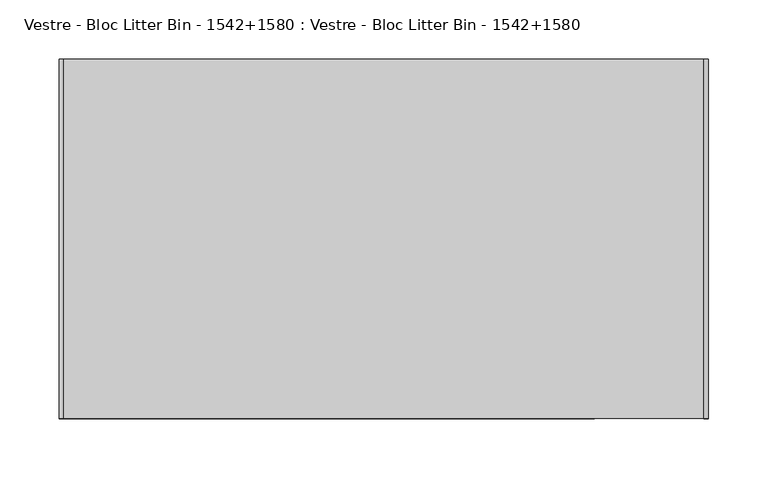
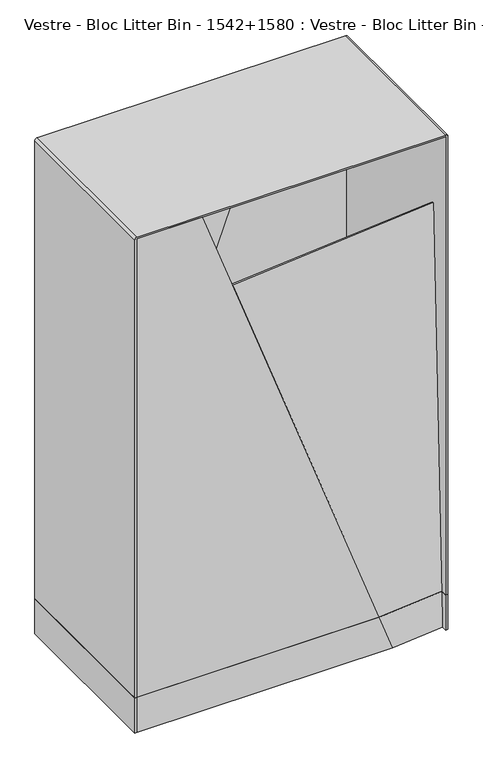
"""IFC4 building model written with IfcOpenShell, lengths in millimetres: furniture geometry, Vestre - Bloc Litter Bin - 1542+1580 : Vestre - Bloc Litter Bin - 1542+1580."""

from ifc_helpers import new_model, si_unit, point, frame, frame_2d, origin, origin_with_axes, place, context, project, spatial, polyline, circle_curve, trimmed, segment, composite_curve, outline, extrude, source, transform, mapped, element, save


def vestre_bloc_litter_bin_1542_1580_vestre_bloc_litter_bin_1542_2ff12031(model_context):
    return source(origin(), model_context, "Body", "SweptSolid", [
        extrude(outline(polyline([(0.0351938, 0.0), (-40.1453928, -110.8345149), (-101.27975, -88.3865833), (-69.1787794, 0.0), (0.0351938, 0.0)])), frame((-153.8954489, 149.1740765, 65.0066328), z_axis=(-0.09822462559456396, 0.9945218953682895, 0.035750839988354696), x_axis=(0.34302093272528, 0.00011195982877925737, 0.9393277527983913)), (0.0, 0.0, 1.0), 3.0),
        extrude(outline(polyline([(-0.055894, 271.5), (65.0, 271.5), (65.0, -154.2419347), (0.0677932, -177.9545315), (-0.055894, 271.5)])), frame((0.0, 149.25, 0.0), z_axis=(0.0, 1.0, 0.0), x_axis=(0.0, 0.0, 1.0)), (0.0, 0.0, 1.0), 3.0),
        extrude(outline(polyline([(0.0351938, 0.0), (-40.1453928, -110.8345149), (-101.27975, -88.3865833), (-69.1787794, 0.0), (0.0351938, 0.0)])), frame((154.8954489, -149.1740765, 65.0066328), z_axis=(0.09822462559456398, -0.9945218953682895, 0.0357508399883547), x_axis=(-0.3430209327252796, -0.000111959828779216, 0.9393277527983914)), (0.0, 0.0, 1.0), 3.0),
        extrude(outline(polyline([(-0.055894, -270.5), (0.0677932, 178.9545315), (65.0, 155.2419347), (65.0, -270.5), (-0.055894, -270.5)])), frame((0.0, -152.25, 0.0), z_axis=(0.0, 1.0, 0.0), x_axis=(0.0, 0.0, 1.0)), (0.0, 0.0, 1.0), 3.0),
        extrude(outline(polyline([(-270.5, -152.25), (-274.5, -152.25), (-274.5, 152.25), (-270.5, 152.25), (-270.5, -152.25)])), origin_with_axes(), (0.0, 0.0, 1.0), 65.0),
        extrude(outline(polyline([(275.5, -152.25), (271.5, -152.25), (271.5, 152.25), (275.5, 152.25), (275.5, -152.25)])), origin_with_axes(), (0.0, 0.0, 1.0), 65.0),
        extrude(outline(polyline([(-270.5, 137.7565535), (-154.897871, 149.1740758), (271.5, 149.1740758), (271.5, -137.6577879), (154.897871, -149.1740758), (-270.5, -149.1740758), (-270.5, 137.7565535)])), frame((0.0, 0.0, 65.0), z_axis=(0.0, 0.0, 1.0), x_axis=(1.0, 0.0, 0.0)), (0.0, 0.0, 1.0), 9.9592479),
        extrude(outline(polyline([(65.0, 271.5), (917.0, 271.5), (917.0, 156.9), (65.1171498, -154.1991527), (65.0, 271.5)])), frame((0.0, 149.25, 0.0), z_axis=(0.0, 1.0, 0.0), x_axis=(0.0, 0.0, 1.0)), (0.0, 0.0, 1.0), 3.0),
        extrude(outline(polyline([(752.3104603, 0.0), (623.7538599, -354.611758), (-40.247271, -110.7971063), (-0.0070612, 1e-07), (752.3104603, 0.0)])), frame((-153.8954489, 149.1740765, 65.0066328), z_axis=(-0.09822462559456395, 0.9945218953682895, 0.03575083998835469), x_axis=(0.34302093272528017, 0.0001119598287792826, 0.9393277527983912)), (0.0, 0.0, 1.0), 3.0),
        extrude(outline(composite_curve([segment(polyline([(-255.5, -119.75), (-255.5, 112.735536)]), True, "CONTINUOUS"), segment(trimmed(circle_curve(frame_2d((-245.5, 112.735536)), 10.0), [point((-255.5, 112.735536))], [point((-246.5452846, 122.680755))], False, "CARTESIAN"), True, "CONTINUOUS"), segment(polyline([(-246.5452846, 122.680755), (-155.5, 132.25), (246.5, 132.25)]), True, "CONTINUOUS"), segment(trimmed(circle_curve(frame_2d((246.5, 122.25)), 10.0), [point((246.5, 132.25))], [point((256.5, 122.25))], False, "CARTESIAN"), True, "CONTINUOUS"), segment(polyline([(256.5, 122.25), (256.5, -110.235536)]), True, "CONTINUOUS"), segment(trimmed(circle_curve(frame_2d((246.5, -110.235536)), 10.0), [point((256.5, -110.235536))], [point((247.5452846, -120.180755))], False, "CARTESIAN"), True, "CONTINUOUS"), segment(polyline([(247.5452846, -120.180755), (156.5, -129.75), (-245.5, -129.75)]), True, "CONTINUOUS"), segment(trimmed(circle_curve(frame_2d((-245.5, -119.75)), 10.0), [point((-245.5, -129.75))], [point((-255.5, -119.75))], False, "CARTESIAN"), True, "CONTINUOUS")], self_intersect=False)), origin_with_axes(), (0.0, 0.0, 1.0), 65.0745775),
        extrude(outline(polyline([(752.3104603, 0.0), (623.7538599, -354.611758), (-40.247271, -110.7971063), (-0.0070612, 1e-07), (752.3104603, 0.0)])), frame((154.8954489, -149.1740765, 65.0066328), z_axis=(0.09822462559456396, -0.9945218953682895, 0.03575083998835469), x_axis=(-0.34302093272527995, -0.00011195982877926014, 0.9393277527983913)), (0.0, 0.0, 1.0), 3.0),
        extrude(outline(polyline([(65.0, -270.5), (65.1171498, 155.1991527), (917.0, -155.9), (917.0, -270.5), (65.0, -270.5)])), frame((0.0, -152.25, 0.0), z_axis=(0.0, 1.0, 0.0), x_axis=(0.0, 0.0, 1.0)), (0.0, 0.0, 1.0), 3.0),
        extrude(outline(composite_curve([segment(polyline([(65.0, -270.5), (917.0, -270.5), (917.0, 271.5), (65.0, 271.5), (65.0, 275.5), (916.0, 275.5)]), True, "CONTINUOUS"), segment(trimmed(circle_curve(frame_2d((916.0, 271.5)), 4.0), [point((916.0, 275.5))], [point((920.0, 271.5))], False, "CARTESIAN"), True, "CONTINUOUS"), segment(polyline([(920.0, 271.5), (920.0, -270.4822768)]), True, "CONTINUOUS"), segment(trimmed(circle_curve(frame_2d((915.9822768, -270.4822768)), 4.0177232), [point((920.0, -270.4822768))], [point((915.9822768, -274.5))], False, "CARTESIAN"), True, "CONTINUOUS"), segment(polyline([(915.9822768, -274.5), (65.0, -274.5), (65.0, -270.5)]), True, "CONTINUOUS")], self_intersect=False)), frame((0.0, -152.25, 0.0), z_axis=(0.0, 1.0, 0.0), x_axis=(0.0, 0.0, 1.0)), (0.0, 0.0, 1.0), 304.5),
    ])


if __name__ == "__main__":
    model = new_model("IFC4")
    model_context = context("Model", 3, world=origin())
    ifc_project = project(units=[si_unit("LENGTHUNIT", "METRE", prefix="MILLI")], contexts=[model_context])
    site = spatial("IfcSite", under=ifc_project)
    building = spatial("IfcBuilding", under=site)
    placement = place(None, origin())
    vestre_bloc_litter_bin_1542_1580_vestre_bloc_litter_bin_1542_shape = vestre_bloc_litter_bin_1542_1580_vestre_bloc_litter_bin_1542_2ff12031(model_context)
    element("IfcFurniture", 1, ObjectType="Vestre - Bloc Litter Bin - 1542+1580 : Vestre - Bloc Litter Bin - 1542+1580", at=placement, inside=building, context=model_context, shape_type="MappedRepresentation", body=[
        mapped(vestre_bloc_litter_bin_1542_1580_vestre_bloc_litter_bin_1542_shape, transform((0.0, 0.0, 0.0), x_axis=(1.0, 0.0, 0.0), y_axis=(0.0, 1.0, 0.0), z_axis=(0.0, 0.0, 1.0))),
    ])
    save(model, "model.ifc")
